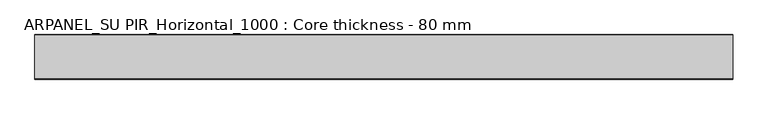
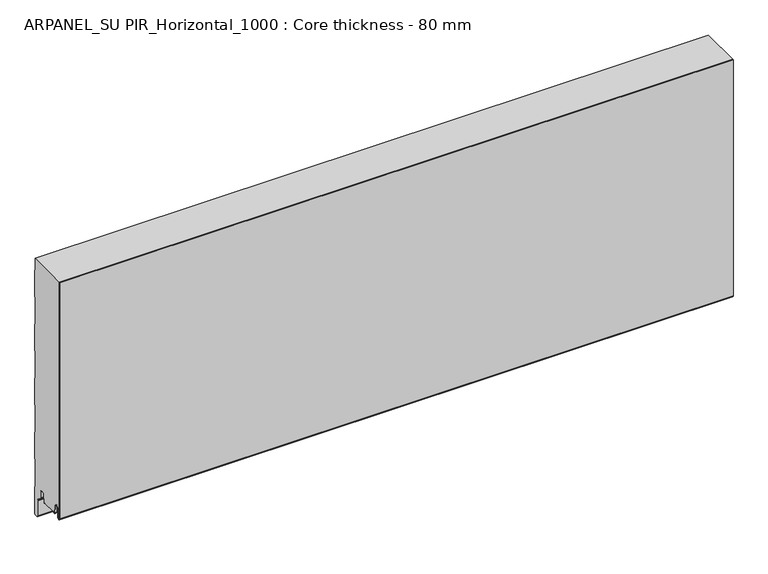
"""IFC4 building model written with IfcOpenShell, lengths in millimetres: plate geometry, ARPANEL_SU PIR_Horizontal_1000 : Core thickness - 80 mm."""

from ifc_helpers import new_model, si_unit, frame, origin, place, context, project, spatial, polyline, circle_curve, source, transform, mapped, element, save
from ifc_brep_helpers import plane_surface, cylinder_surface, revolved_surface, advanced_brep


def arpanel_su_pir_horizontal_1000_core_thickness_80_mm_325d15cb(model_context):
    return source(origin(), model_context, "Body", "AdvancedBrep", [
        advanced_brep(
        [(620.0, -79.9996949, 40.1048196), (620.0, -73.81449, 39.8022656), (620.0, -72.197116, 56.2975213), (620.0, -69.1776715, 59.0045826), (620.0, -66.1582271, 56.2975213), (620.0, -64.7725998, 42.165801), (620.0, -60.3830995, 42.3804834), (620.0, -61.1830995, 42.3804834), (620.0, -63.9764178, 42.2438674), (620.0, -65.3620451, 56.3755876), (620.0, -69.1776715, 59.8046226), (620.0, -72.9932979, 56.3755876), (620.0, -74.6106719, 39.8803319), (620.0, -79.1996949, 40.1047726), (620.0, -79.2, 500.0), (620.0, -79.9996949, 500.0), (-620.0, -79.1996949, 40.1047726), (-620.0, -74.6106719, 39.8803319), (-620.0, -72.9932979, 56.3755876), (-620.0, -69.1776715, 59.8046226), (-620.0, -65.3620451, 56.3755876), (-620.0, -63.9764178, 42.2438674), (-620.0, -61.1830995, 42.3804834), (-620.0, -60.3830995, 42.3804834), (-620.0, -64.7725998, 42.165801), (-620.0, -66.1582271, 56.2975213), (-620.0, -69.1776715, 59.0045826), (-620.0, -72.197116, 56.2975213), (-620.0, -73.81449, 39.8022656), (-620.0, -79.9996949, 40.1048196), (-620.0, -79.9996949, 500.0), (-620.0, -79.2, 500.0)],
        [
            (0, 1, circle_curve(frame((620.0, -76.8996949, 40.1047726), z_axis=(1.0, 0.0, 0.0), x_axis=(0.0, 0.0, -1.0)), 3.1)),
            (1, 2),
            (2, 3, circle_curve(frame((620.0, -69.2114338, 56.0047726), z_axis=(-1.0, 0.0, 0.0), x_axis=(0.0, 0.0, -1.0)), 3.0)),
            (3, 4, circle_curve(frame((620.0, -69.1439093, 56.0047726), z_axis=(-1.0, 0.0, 0.0), x_axis=(0.0, 0.0, -1.0)), 3.0)),
            (4, 5),
            (5, 6, circle_curve(frame((620.0, -62.5830995, 42.3804834), z_axis=(1.0, 0.0, 0.0), x_axis=(0.0, 0.0, -1.0)), 2.2)),
            (6, 7),
            (7, 8, circle_curve(frame((620.0, -62.5830995, 42.3804834), z_axis=(-1.0, 0.0, 0.0), x_axis=(0.0, 0.0, -1.0)), 1.4)),
            (8, 9),
            (9, 10, circle_curve(frame((620.0, -69.1439093, 56.0047726), z_axis=(1.0, 0.0, 0.0), x_axis=(0.0, 0.0, -1.0)), 3.8)),
            (10, 11, circle_curve(frame((620.0, -69.2114338, 56.0047726), z_axis=(1.0, 0.0, 0.0), x_axis=(0.0, 0.0, -1.0)), 3.8)),
            (11, 12),
            (12, 13, circle_curve(frame((620.0, -76.8996949, 40.1047726), z_axis=(-1.0, 0.0, 0.0), x_axis=(0.0, 0.0, -1.0)), 2.3)),
            (13, 14),
            (14, 15),
            (15, 0),
            (16, 17, circle_curve(frame((-620.0, -76.8996949, 40.1047726), z_axis=(1.0, 0.0, 0.0), x_axis=(0.0, 0.0, -1.0)), 2.3)),
            (17, 18),
            (18, 19, circle_curve(frame((-620.0, -69.2114338, 56.0047726), z_axis=(-1.0, 0.0, 0.0), x_axis=(0.0, 0.0, -1.0)), 3.8)),
            (19, 20, circle_curve(frame((-620.0, -69.1439093, 56.0047726), z_axis=(-1.0, 0.0, 0.0), x_axis=(0.0, 0.0, -1.0)), 3.8)),
            (20, 21),
            (21, 22, circle_curve(frame((-620.0, -62.5830995, 42.3804834), z_axis=(1.0, 0.0, 0.0), x_axis=(0.0, 0.0, -1.0)), 1.4)),
            (22, 23),
            (23, 24, circle_curve(frame((-620.0, -62.5830995, 42.3804834), z_axis=(-1.0, 0.0, 0.0), x_axis=(0.0, 0.0, -1.0)), 2.2)),
            (24, 25),
            (25, 26, circle_curve(frame((-620.0, -69.1439093, 56.0047726), z_axis=(1.0, 0.0, 0.0), x_axis=(0.0, 0.0, -1.0)), 3.0)),
            (26, 27, circle_curve(frame((-620.0, -69.2114338, 56.0047726), z_axis=(1.0, 0.0, 0.0), x_axis=(0.0, 0.0, -1.0)), 3.0)),
            (27, 28),
            (28, 29, circle_curve(frame((-620.0, -76.8996949, 40.1047726), z_axis=(-1.0, 0.0, 0.0), x_axis=(0.0, 0.0, -1.0)), 3.1)),
            (29, 30),
            (30, 31),
            (31, 16),
            (13, 16),
            (31, 14),
            (29, 0),
            (15, 30),
            (12, 17),
            (11, 18),
            (10, 19),
            (9, 20),
            (8, 21),
            (7, 22),
            (6, 23),
            (5, 24),
            (4, 25),
            (3, 26),
            (2, 27),
            (1, 28),
        ],
        [
            plane_surface(frame((620.0, -80.0, 0.0), z_axis=(1.0, 0.0, 0.0), x_axis=(0.0, 1.0, 0.0))),
            plane_surface(frame((-620.0, -80.0, 0.0), z_axis=(-1.0, 0.0, 0.0), x_axis=(0.0, 1.0, 0.0))),
            plane_surface(frame((620.0, -79.2, 40.1047726), z_axis=(0.0, 1.0, 0.0), x_axis=(-1.0, 0.0, 0.0))),
            plane_surface(frame((620.0, -79.9996949, 1030.8000005), z_axis=(0.0, -1.0, 0.0), x_axis=(-1.0, 0.0, 0.0))),
            revolved_surface(polyline([(-620.0, -76.8996949, 37.8047726), (620.0, -76.8996949, 37.8047726)]), (620.0, -76.8996949, 40.1047726), (-1.0, 0.0, 0.0)),
            plane_surface(frame((620.0, -72.9932979, 56.3755876), z_axis=(0.0, -0.9952273999818314, 0.09758289975914787), x_axis=(-1.0, 0.0, 0.0))),
            cylinder_surface(frame((620.0, -69.2114338, 56.0047726), z_axis=(1.0, 0.0, 0.0), x_axis=(0.0, 0.0, -1.0)), 3.8),
            cylinder_surface(frame((620.0, -69.1439093, 56.0047726), z_axis=(1.0, 0.0, 0.0), x_axis=(0.0, 0.0, -1.0)), 3.8),
            plane_surface(frame((620.0, -63.9764178, 42.2438674), z_axis=(0.0, 0.9952273999818297, 0.09758289975916531), x_axis=(-1.0, 0.0, 0.0))),
            revolved_surface(polyline([(-620.0, -62.5830995, 40.980483400000004), (620.0, -62.5830995, 40.980483400000004)]), (620.0, -62.5830995, 42.3804834), (-1.0, 0.0, 0.0)),
            plane_surface(frame((620.0, -60.3830995, 42.3804834), z_axis=(0.0, 0.0, 1.0), x_axis=(-1.0, 0.0, 0.0))),
            cylinder_surface(frame((620.0, -62.5830995, 42.3804834), z_axis=(1.0, 0.0, 0.0), x_axis=(0.0, 0.0, -1.0)), 2.2),
            plane_surface(frame((620.0, -66.1582271, 56.2975213), z_axis=(0.0, -0.9952273999818296, -0.09758289975916527), x_axis=(-1.0, 0.0, 0.0))),
            revolved_surface(polyline([(-620.0, -69.1439093, 53.0047726), (620.0, -69.1439093, 53.0047726)]), (620.0, -69.1439093, 56.0047726), (-1.0, 0.0, 0.0)),
            revolved_surface(polyline([(-620.0, -69.2114338, 53.0047726), (620.0, -69.2114338, 53.0047726)]), (620.0, -69.2114338, 56.0047726), (-1.0, 0.0, 0.0)),
            plane_surface(frame((620.0, -73.81449, 39.8022656), z_axis=(0.0, 0.9952273999818314, -0.09758289975914787), x_axis=(-1.0, 0.0, 0.0))),
            cylinder_surface(frame((620.0, -76.8996949, 40.1047726), z_axis=(1.0, 0.0, 0.0), x_axis=(0.0, 0.0, -1.0)), 3.1),
            plane_surface(frame((-620.0, 134.0533409, 500.0), z_axis=(0.0, 0.0, 1.0), x_axis=(1.0, 0.0, 0.0))),
        ],
        [
            (0, [[1, 2, 3, 4, 5, 6, 7, 8, 9, 10, 11, 12, 13, 14, 15, 16]]),
            (1, [[17, 18, 19, 20, 21, 22, 23, 24, 25, 26, 27, 28, 29, 30, 31, 32]]),
            (2, [[33, -32, 34, -14]]),
            (3, [[35, -16, 36, -30]]),
            (4, [[-13, 37, -17, -33]]),
            (5, [[-12, 38, -18, -37]]),
            (6, [[-11, 39, -19, -38]]),
            (7, [[-10, 40, -20, -39]]),
            (8, [[-9, 41, -21, -40]]),
            (9, [[-8, 42, -22, -41]]),
            (10, [[-7, 43, -23, -42]]),
            (11, [[-6, 44, -24, -43]]),
            (12, [[-5, 45, -25, -44]]),
            (13, [[-4, 46, -26, -45]]),
            (14, [[-3, 47, -27, -46]]),
            (15, [[-2, 48, -28, -47]]),
            (16, [[-1, -35, -29, -48]]),
            (17, [[-15, -34, -31, -36]]),
        ],
    ),
        advanced_brep(
        [(620.0, -34.0468325, 41.6703125), (620.0, -34.1991613, 42.1885183), (620.0, -34.6332818, 44.6505377), (620.0, -33.8454356, 44.7894563), (620.0, -33.4113151, 42.3274369), (620.0, -30.1822811, 42.4684196), (620.0, -28.9698453, 56.3266239), (620.0, -25.1843055, 59.7954321), (620.0, -23.0, 59.7954321), (620.0, -19.2, 55.9954321), (620.0, -19.2, 43.8723898), (620.0, -17.5667978, 40.7350375), (620.0, -11.2468331, 36.3097506), (620.0, -9.2, 32.3778208), (620.0, -9.2, 2.6273641), (620.0, -7.37, 0.7973641), (620.0, -2.63, 0.7973641), (620.0, -0.8, 2.6273641), (620.0, -0.8, 54.1944521), (620.0, -1.0986697, 55.2458679), (620.0, -1.5003051, 56.6662489), (620.0, -1.5003051, 106.8260321), (620.0, -1.0971009, 108.2454435), (620.0, -0.8, 109.2978289), (620.0, -0.8, 159.4576121), (620.0, -1.0986697, 160.5090279), (620.0, -1.5003051, 161.9294089), (620.0, -1.5003051, 212.0891921), (620.0, -1.0971009, 213.5086035), (620.0, -0.8, 214.5609889), (620.0, -0.8, 264.7207721), (620.0, -1.0986697, 265.7721879), (620.0, -1.5003051, 267.1925689), (620.0, -1.5003051, 317.3523521), (620.0, -1.0971009, 318.7717635), (620.0, -0.8, 319.8241489), (620.0, -0.8, 369.9839321), (620.0, -1.0986697, 371.0353479), (620.0, -1.5003051, 372.4557289), (620.0, -1.5003051, 422.6155121), (620.0, -1.0971009, 424.0349235), (620.0, -0.8, 425.0873089), (620.0, -0.8, 475.2470921), (620.0, -1.0986697, 476.2985079), (620.0, -1.5003051, 477.7188889), (620.0, -1.5003051, 500.0), (620.0, -79.2, 500.0), (620.0, -79.2, 40.1047726), (620.0, -74.6106719, 39.8803319), (620.0, -72.9932979, 56.3755876), (620.0, -69.1776715, 59.8046226), (620.0, -65.3620451, 56.3755876), (620.0, -63.9764178, 42.2438674), (620.0, -61.1830995, 42.3804834), (620.0, -60.3830995, 42.3804834), (620.0, -60.5008754, 41.6703125), (-620.0, -34.1991613, 42.1885183), (-620.0, -34.0468325, 41.6703125), (-620.0, -60.5008754, 41.6703125), (-620.0, -60.3830995, 42.3804834), (-620.0, -61.1830995, 42.3804834), (-620.0, -63.9764178, 42.2438674), (-620.0, -65.3620451, 56.3755876), (-620.0, -69.1776715, 59.8046226), (-620.0, -72.9932979, 56.3755876), (-620.0, -74.6106719, 39.8803319), (-620.0, -79.1996949, 40.1047726), (-620.0, -79.2, 500.0), (-620.0, -1.5003051, 500.0), (-620.0, -1.5003051, 477.7188889), (-620.0, -1.0971009, 476.2994775), (-620.0, -0.8, 475.2470921), (-620.0, -0.8, 425.0873089), (-620.0, -1.0986697, 424.035893), (-620.0, -1.5003051, 422.6155121), (-620.0, -1.5003051, 372.4557289), (-620.0, -1.0971009, 371.0363175), (-620.0, -0.8, 369.9839321), (-620.0, -0.8, 319.8241489), (-620.0, -1.0986697, 318.772733), (-620.0, -1.5003051, 317.3523521), (-620.0, -1.5003051, 267.1925689), (-620.0, -1.0971009, 265.7731575), (-620.0, -0.8, 264.7207721), (-620.0, -0.8, 214.5609889), (-620.0, -1.0986697, 213.509573), (-620.0, -1.5003051, 212.0891921), (-620.0, -1.5003051, 161.9294089), (-620.0, -1.0971009, 160.5099975), (-620.0, -0.8, 159.4576121), (-620.0, -0.8, 109.2978289), (-620.0, -1.0986697, 108.246413), (-620.0, -1.5003051, 106.8260321), (-620.0, -1.5003051, 56.6662489), (-620.0, -1.0971009, 55.2468375), (-620.0, -0.8, 54.1944521), (-620.0, -0.8, 2.6273641), (-620.0, -2.63, 0.7973641), (-620.0, -7.37, 0.7973641), (-620.0, -9.2, 2.6273641), (-620.0, -9.2, 32.3778208), (-620.0, -11.2468331, 36.3097506), (-620.0, -17.5667978, 40.7350375), (-620.0, -19.2, 43.8723898), (-620.0, -19.2, 55.9954321), (-620.0, -23.0, 59.7954321), (-620.0, -25.1843055, 59.7954321), (-620.0, -28.9698453, 56.3266239), (-620.0, -30.1822811, 42.4684196), (-620.0, -33.4113151, 42.3274369), (-620.0, -33.8454356, 44.7894563), (-620.0, -34.6332818, 44.6505377)],
        [
            (0, 1, circle_curve(frame((620.0, -31.8060785, 42.6104834), z_axis=(-1.0, 0.0, 0.0), x_axis=(0.0, 0.0, -1.0)), 2.43)),
            (1, 2),
            (2, 3),
            (3, 4),
            (4, 5, circle_curve(frame((620.0, -31.8060785, 42.6104834), z_axis=(1.0, 0.0, 0.0), x_axis=(0.0, 0.0, -1.0)), 1.63)),
            (5, 6),
            (6, 7, circle_curve(frame((620.0, -25.1843055, 55.9954321), z_axis=(-1.0, 0.0, 0.0), x_axis=(0.0, 0.0, -1.0)), 3.8)),
            (7, 8),
            (8, 9, circle_curve(frame((620.0, -23.0, 55.9954321), z_axis=(-1.0, 0.0, 0.0), x_axis=(0.0, 0.0, -1.0)), 3.8)),
            (9, 10),
            (10, 11, circle_curve(frame((620.0, -15.37, 43.8723898), z_axis=(1.0, 0.0, 0.0), x_axis=(0.0, 0.0, -1.0)), 3.83)),
            (11, 12),
            (12, 13, circle_curve(frame((620.0, -14.0, 32.3778208), z_axis=(-1.0, 0.0, 0.0), x_axis=(0.0, 0.0, -1.0)), 4.8)),
            (13, 14),
            (14, 15, circle_curve(frame((620.0, -7.37, 2.6273641), z_axis=(1.0, 0.0, 0.0), x_axis=(0.0, 0.0, -1.0)), 1.83)),
            (15, 16),
            (16, 17, circle_curve(frame((620.0, -2.63, 2.6273641), z_axis=(1.0, 0.0, 0.0), x_axis=(0.0, 0.0, -1.0)), 1.83)),
            (17, 18),
            (18, 19, circle_curve(frame((620.0, -2.8, 54.1944521), z_axis=(1.0, 0.0, 0.0), x_axis=(0.0, 0.0, -1.0)), 2.0)),
            (19, 20, circle_curve(frame((620.0, 1.1996949, 56.6662489), z_axis=(-1.0, 0.0, 0.0), x_axis=(0.0, 0.0, -1.0)), 2.7)),
            (20, 21),
            (21, 22, circle_curve(frame((620.0, 1.1996949, 106.8260321), z_axis=(-1.0, 0.0, 0.0), x_axis=(0.0, 0.0, -1.0)), 2.7)),
            (22, 23, circle_curve(frame((620.0, -2.8, 109.2978289), z_axis=(1.0, 0.0, 0.0), x_axis=(0.0, 0.0, -1.0)), 2.0)),
            (23, 24),
            (24, 25, circle_curve(frame((620.0, -2.8, 159.4576121), z_axis=(1.0, 0.0, 0.0), x_axis=(0.0, 0.0, -1.0)), 2.0)),
            (25, 26, circle_curve(frame((620.0, 1.1996949, 161.9294089), z_axis=(-1.0, 0.0, 0.0), x_axis=(0.0, 0.0, -1.0)), 2.7)),
            (26, 27),
            (27, 28, circle_curve(frame((620.0, 1.1996949, 212.0891921), z_axis=(-1.0, 0.0, 0.0), x_axis=(0.0, 0.0, -1.0)), 2.7)),
            (28, 29, circle_curve(frame((620.0, -2.8, 214.5609889), z_axis=(1.0, 0.0, 0.0), x_axis=(0.0, 0.0, -1.0)), 2.0)),
            (29, 30),
            (30, 31, circle_curve(frame((620.0, -2.8, 264.7207721), z_axis=(1.0, 0.0, 0.0), x_axis=(0.0, 0.0, -1.0)), 2.0)),
            (31, 32, circle_curve(frame((620.0, 1.1996949, 267.1925689), z_axis=(-1.0, 0.0, 0.0), x_axis=(0.0, 0.0, -1.0)), 2.7)),
            (32, 33),
            (33, 34, circle_curve(frame((620.0, 1.1996949, 317.3523521), z_axis=(-1.0, 0.0, 0.0), x_axis=(0.0, 0.0, -1.0)), 2.7)),
            (34, 35, circle_curve(frame((620.0, -2.8, 319.8241489), z_axis=(1.0, 0.0, 0.0), x_axis=(0.0, 0.0, -1.0)), 2.0)),
            (35, 36),
            (36, 37, circle_curve(frame((620.0, -2.8, 369.9839321), z_axis=(1.0, 0.0, 0.0), x_axis=(0.0, 0.0, -1.0)), 2.0)),
            (37, 38, circle_curve(frame((620.0, 1.1996949, 372.4557289), z_axis=(-1.0, 0.0, 0.0), x_axis=(0.0, 0.0, -1.0)), 2.7)),
            (38, 39),
            (39, 40, circle_curve(frame((620.0, 1.1996949, 422.6155121), z_axis=(-1.0, 0.0, 0.0), x_axis=(0.0, 0.0, -1.0)), 2.7)),
            (40, 41, circle_curve(frame((620.0, -2.8, 425.0873089), z_axis=(1.0, 0.0, 0.0), x_axis=(0.0, 0.0, -1.0)), 2.0)),
            (41, 42),
            (42, 43, circle_curve(frame((620.0, -2.8, 475.2470921), z_axis=(1.0, 0.0, 0.0), x_axis=(0.0, 0.0, -1.0)), 2.0)),
            (43, 44, circle_curve(frame((620.0, 1.1996949, 477.7188889), z_axis=(-1.0, 0.0, 0.0), x_axis=(0.0, 0.0, -1.0)), 2.7)),
            (44, 45),
            (45, 46),
            (46, 47),
            (47, 48, circle_curve(frame((620.0, -76.8996949, 40.1047726), z_axis=(1.0, 0.0, 0.0), x_axis=(0.0, 0.0, -1.0)), 2.3)),
            (48, 49),
            (49, 50, circle_curve(frame((620.0, -69.2114338, 56.0047726), z_axis=(-1.0, 0.0, 0.0), x_axis=(0.0, 0.0, -1.0)), 3.8)),
            (50, 51, circle_curve(frame((620.0, -69.1439093, 56.0047726), z_axis=(-1.0, 0.0, 0.0), x_axis=(0.0, 0.0, -1.0)), 3.8)),
            (51, 52),
            (52, 53, circle_curve(frame((620.0, -62.5830995, 42.3804834), z_axis=(1.0, 0.0, 0.0), x_axis=(0.0, 0.0, -1.0)), 1.4)),
            (53, 54),
            (54, 55, circle_curve(frame((620.0, -62.5830995, 42.3804834), z_axis=(-1.0, 0.0, 0.0), x_axis=(0.0, 0.0, -1.0)), 2.2)),
            (55, 0),
            (56, 57, circle_curve(frame((-620.0, -31.8060785, 42.6104834), z_axis=(1.0, 0.0, 0.0), x_axis=(0.0, 0.0, -1.0)), 2.43)),
            (57, 58),
            (58, 59, circle_curve(frame((-620.0, -62.5830995, 42.3804834), z_axis=(1.0, 0.0, 0.0), x_axis=(0.0, 0.0, -1.0)), 2.2)),
            (59, 60),
            (60, 61, circle_curve(frame((-620.0, -62.5830995, 42.3804834), z_axis=(-1.0, 0.0, 0.0), x_axis=(0.0, 0.0, -1.0)), 1.4)),
            (61, 62),
            (62, 63, circle_curve(frame((-620.0, -69.1439093, 56.0047726), z_axis=(1.0, 0.0, 0.0), x_axis=(0.0, 0.0, -1.0)), 3.8)),
            (63, 64, circle_curve(frame((-620.0, -69.2114338, 56.0047726), z_axis=(1.0, 0.0, 0.0), x_axis=(0.0, 0.0, -1.0)), 3.8)),
            (64, 65),
            (65, 66, circle_curve(frame((-620.0, -76.8996949, 40.1047726), z_axis=(-1.0, 0.0, 0.0), x_axis=(0.0, 0.0, -1.0)), 2.3)),
            (66, 67),
            (67, 68),
            (68, 69),
            (69, 70, circle_curve(frame((-620.0, 1.1996949, 477.7188889), z_axis=(1.0, 0.0, 0.0), x_axis=(0.0, 0.0, -1.0)), 2.7)),
            (70, 71, circle_curve(frame((-620.0, -2.8, 475.2470921), z_axis=(-1.0, 0.0, 0.0), x_axis=(0.0, 0.0, -1.0)), 2.0)),
            (71, 72),
            (72, 73, circle_curve(frame((-620.0, -2.8, 425.0873089), z_axis=(-1.0, 0.0, 0.0), x_axis=(0.0, 0.0, -1.0)), 2.0)),
            (73, 74, circle_curve(frame((-620.0, 1.1996949, 422.6155121), z_axis=(1.0, 0.0, 0.0), x_axis=(0.0, 0.0, -1.0)), 2.7)),
            (74, 75),
            (75, 76, circle_curve(frame((-620.0, 1.1996949, 372.4557289), z_axis=(1.0, 0.0, 0.0), x_axis=(0.0, 0.0, -1.0)), 2.7)),
            (76, 77, circle_curve(frame((-620.0, -2.8, 369.9839321), z_axis=(-1.0, 0.0, 0.0), x_axis=(0.0, 0.0, -1.0)), 2.0)),
            (77, 78),
            (78, 79, circle_curve(frame((-620.0, -2.8, 319.8241489), z_axis=(-1.0, 0.0, 0.0), x_axis=(0.0, 0.0, -1.0)), 2.0)),
            (79, 80, circle_curve(frame((-620.0, 1.1996949, 317.3523521), z_axis=(1.0, 0.0, 0.0), x_axis=(0.0, 0.0, -1.0)), 2.7)),
            (80, 81),
            (81, 82, circle_curve(frame((-620.0, 1.1996949, 267.1925689), z_axis=(1.0, 0.0, 0.0), x_axis=(0.0, 0.0, -1.0)), 2.7)),
            (82, 83, circle_curve(frame((-620.0, -2.8, 264.7207721), z_axis=(-1.0, 0.0, 0.0), x_axis=(0.0, 0.0, -1.0)), 2.0)),
            (83, 84),
            (84, 85, circle_curve(frame((-620.0, -2.8, 214.5609889), z_axis=(-1.0, 0.0, 0.0), x_axis=(0.0, 0.0, -1.0)), 2.0)),
            (85, 86, circle_curve(frame((-620.0, 1.1996949, 212.0891921), z_axis=(1.0, 0.0, 0.0), x_axis=(0.0, 0.0, -1.0)), 2.7)),
            (86, 87),
            (87, 88, circle_curve(frame((-620.0, 1.1996949, 161.9294089), z_axis=(1.0, 0.0, 0.0), x_axis=(0.0, 0.0, -1.0)), 2.7)),
            (88, 89, circle_curve(frame((-620.0, -2.8, 159.4576121), z_axis=(-1.0, 0.0, 0.0), x_axis=(0.0, 0.0, -1.0)), 2.0)),
            (89, 90),
            (90, 91, circle_curve(frame((-620.0, -2.8, 109.2978289), z_axis=(-1.0, 0.0, 0.0), x_axis=(0.0, 0.0, -1.0)), 2.0)),
            (91, 92, circle_curve(frame((-620.0, 1.1996949, 106.8260321), z_axis=(1.0, 0.0, 0.0), x_axis=(0.0, 0.0, -1.0)), 2.7)),
            (92, 93),
            (93, 94, circle_curve(frame((-620.0, 1.1996949, 56.6662489), z_axis=(1.0, 0.0, 0.0), x_axis=(0.0, 0.0, -1.0)), 2.7)),
            (94, 95, circle_curve(frame((-620.0, -2.8, 54.1944521), z_axis=(-1.0, 0.0, 0.0), x_axis=(0.0, 0.0, -1.0)), 2.0)),
            (95, 96),
            (96, 97, circle_curve(frame((-620.0, -2.63, 2.6273641), z_axis=(-1.0, 0.0, 0.0), x_axis=(0.0, 0.0, -1.0)), 1.83)),
            (97, 98),
            (98, 99, circle_curve(frame((-620.0, -7.37, 2.6273641), z_axis=(-1.0, 0.0, 0.0), x_axis=(0.0, 0.0, -1.0)), 1.83)),
            (99, 100),
            (100, 101, circle_curve(frame((-620.0, -14.0, 32.3778208), z_axis=(1.0, 0.0, 0.0), x_axis=(0.0, 0.0, -1.0)), 4.8)),
            (101, 102),
            (102, 103, circle_curve(frame((-620.0, -15.37, 43.8723898), z_axis=(-1.0, 0.0, 0.0), x_axis=(0.0, 0.0, -1.0)), 3.83)),
            (103, 104),
            (104, 105, circle_curve(frame((-620.0, -23.0, 55.9954321), z_axis=(1.0, 0.0, 0.0), x_axis=(0.0, 0.0, -1.0)), 3.8)),
            (105, 106),
            (106, 107, circle_curve(frame((-620.0, -25.1843055, 55.9954321), z_axis=(1.0, 0.0, 0.0), x_axis=(0.0, 0.0, -1.0)), 3.8)),
            (107, 108),
            (108, 109, circle_curve(frame((-620.0, -31.8060785, 42.6104834), z_axis=(-1.0, 0.0, 0.0), x_axis=(0.0, 0.0, -1.0)), 1.63)),
            (109, 110),
            (110, 111),
            (111, 56),
            (57, 0),
            (55, 58),
            (66, 47),
            (46, 67),
            (65, 48),
            (64, 49),
            (63, 50),
            (62, 51),
            (61, 52),
            (60, 53),
            (59, 54),
            (56, 1),
            (111, 2),
            (110, 3),
            (109, 4),
            (108, 5),
            (107, 6),
            (106, 7),
            (105, 8),
            (104, 9),
            (103, 10),
            (102, 11),
            (101, 12),
            (100, 13),
            (99, 14),
            (98, 15),
            (97, 16),
            (96, 17),
            (95, 18),
            (94, 19),
            (93, 20),
            (92, 21),
            (91, 22),
            (90, 23),
            (89, 24),
            (88, 25),
            (87, 26),
            (86, 27),
            (85, 28),
            (84, 29),
            (83, 30),
            (82, 31),
            (81, 32),
            (80, 33),
            (79, 34),
            (78, 35),
            (77, 36),
            (76, 37),
            (75, 38),
            (74, 39),
            (73, 40),
            (72, 41),
            (71, 42),
            (70, 43),
            (69, 44),
            (68, 45),
        ],
        [
            plane_surface(frame((620.0, 0.0, 0.0), z_axis=(1.0, 0.0, 0.0), x_axis=(0.0, -1.0, 0.0))),
            plane_surface(frame((-620.0, 0.0, 0.0), z_axis=(-1.0, 0.0, 0.0), x_axis=(0.0, -1.0, 0.0))),
            plane_surface(frame((620.0, -61.0, 41.6703125), z_axis=(0.0, 0.0, -1.0), x_axis=(-1.0, 0.0, 0.0))),
            plane_surface(frame((750.0, -79.2, 40.1047726), z_axis=(0.0, -1.0, 0.0), x_axis=(-1.0, 0.0, 0.0))),
            cylinder_surface(frame((750.0, -76.8996949, 40.1047726), z_axis=(-1.0, 0.0, 0.0), x_axis=(0.0, 0.0, -1.0)), 2.3),
            plane_surface(frame((750.0, -72.9932979, 56.3755876), z_axis=(0.0, 0.9952273999818314, -0.09758289975914787), x_axis=(-1.0, 0.0, 0.0))),
            revolved_surface(polyline([(620.0, -69.2114338, 52.204772600000005), (-620.0, -69.2114338, 52.204772600000005)]), (750.0, -69.2114338, 56.0047726), (1.0, 0.0, 0.0)),
            revolved_surface(polyline([(620.0, -69.1439093, 52.204772600000005), (-620.0, -69.1439093, 52.204772600000005)]), (750.0, -69.1439093, 56.0047726), (1.0, 0.0, 0.0)),
            plane_surface(frame((750.0, -63.9764178, 42.2438674), z_axis=(0.0, -0.9952273999818297, -0.09758289975916531), x_axis=(-1.0, 0.0, 0.0))),
            cylinder_surface(frame((750.0, -62.5830995, 42.3804834), z_axis=(-1.0, 0.0, 0.0), x_axis=(0.0, 0.0, -1.0)), 1.4),
            plane_surface(frame((750.0, -60.3830995, 42.3804834), z_axis=(0.0, 0.0, -1.0), x_axis=(-1.0, 0.0, 0.0))),
            revolved_surface(polyline([(620.0, -62.5830995, 40.1804834), (-620.0, -62.5830995, 40.1804834)]), (750.0, -62.5830995, 42.3804834), (1.0, 0.0, 0.0)),
            revolved_surface(polyline([(620.0, -31.8060785, 40.1804834), (-620.0, -31.8060785, 40.1804834)]), (750.0, -31.8060785, 42.6104834), (1.0, 0.0, 0.0)),
            plane_surface(frame((750.0, -34.6332818, 44.6505377), z_axis=(0.0, 0.9848077530122206, 0.1736481776668594), x_axis=(-1.0, 0.0, 0.0))),
            plane_surface(frame((750.0, -33.8454356, 44.7894563), z_axis=(0.0, 0.17364817766684099, -0.9848077530122239), x_axis=(-1.0, 0.0, 0.0))),
            plane_surface(frame((750.0, -33.4113151, 42.3274369), z_axis=(0.0, -0.9848077530122203, -0.17364817766686078), x_axis=(-1.0, 0.0, 0.0))),
            cylinder_surface(frame((750.0, -31.8060785, 42.6104834), z_axis=(-1.0, 0.0, 0.0), x_axis=(0.0, 0.0, -1.0)), 1.63),
            plane_surface(frame((750.0, -28.9698453, 56.3266239), z_axis=(0.0, 0.996194698091768, -0.08715574274740188), x_axis=(-1.0, 0.0, 0.0))),
            revolved_surface(polyline([(620.0, -25.1843055, 52.195432100000005), (-620.0, -25.1843055, 52.195432100000005)]), (750.0, -25.1843055, 55.9954321), (1.0, 0.0, 0.0)),
            plane_surface(frame((750.0, -23.0, 59.7954321), z_axis=(0.0, 0.0, -1.0), x_axis=(-1.0, 0.0, 0.0))),
            revolved_surface(polyline([(620.0, -23.0, 52.195432100000005), (-620.0, -23.0, 52.195432100000005)]), (750.0, -23.0, 55.9954321), (1.0, 0.0, 0.0)),
            plane_surface(frame((750.0, -19.2, 43.8723898), z_axis=(0.0, -1.0, 0.0), x_axis=(-1.0, 0.0, 0.0))),
            cylinder_surface(frame((750.0, -15.37, 43.8723898), z_axis=(-1.0, 0.0, 0.0), x_axis=(0.0, 0.0, -1.0)), 3.83),
            plane_surface(frame((750.0, -11.2468331, 36.3097506), z_axis=(0.0, -0.5735764363510797, -0.8191520442889684), x_axis=(-1.0, 0.0, 0.0))),
            revolved_surface(polyline([(620.0, -14.0, 27.5778208), (-620.0, -14.0, 27.5778208)]), (750.0, -14.0, 32.3778208), (1.0, 0.0, 0.0)),
            plane_surface(frame((750.0, -9.2, 2.6273641), z_axis=(0.0, -1.0, 0.0), x_axis=(-1.0, 0.0, 0.0))),
            cylinder_surface(frame((750.0, -7.37, 2.6273641), z_axis=(-1.0, 0.0, 0.0), x_axis=(0.0, 0.0, -1.0)), 1.83),
            plane_surface(frame((750.0, -2.63, 0.7973641), z_axis=(0.0, 0.0, -1.0), x_axis=(-1.0, 0.0, 0.0))),
            cylinder_surface(frame((750.0, -2.63, 2.6273641), z_axis=(-1.0, 0.0, 0.0), x_axis=(0.0, 0.0, -1.0)), 1.83),
            plane_surface(frame((750.0, -0.8, 54.1944521), z_axis=(0.0, 1.0, 0.0), x_axis=(-1.0, 0.0, 0.0))),
            cylinder_surface(frame((750.0, -2.8, 54.1944521), z_axis=(-1.0, 0.0, 0.0), x_axis=(0.0, 0.0, -1.0)), 2.0),
            revolved_surface(polyline([(620.0, 1.1996949, 53.9662489), (-620.0, 1.1996949, 53.9662489)]), (750.0, 1.1996949, 56.6662489), (1.0, 0.0, 0.0)),
            plane_surface(frame((750.0, -1.5003051, 106.8260321), z_axis=(0.0, 1.0, 0.0), x_axis=(-1.0, 0.0, 0.0))),
            revolved_surface(polyline([(620.0, 1.1996949, 104.1260321), (-620.0, 1.1996949, 104.1260321)]), (750.0, 1.1996949, 106.8260321), (1.0, 0.0, 0.0)),
            cylinder_surface(frame((750.0, -2.8, 109.2978289), z_axis=(-1.0, 0.0, 0.0), x_axis=(0.0, 0.0, -1.0)), 2.0),
            plane_surface(frame((750.0, -0.8, 159.4576121), z_axis=(0.0, 1.0, 0.0), x_axis=(-1.0, 0.0, 0.0))),
            cylinder_surface(frame((750.0, -2.8, 159.4576121), z_axis=(-1.0, 0.0, 0.0), x_axis=(0.0, 0.0, -1.0)), 2.0),
            revolved_surface(polyline([(620.0, 1.1996949, 159.2294089), (-620.0, 1.1996949, 159.2294089)]), (750.0, 1.1996949, 161.9294089), (1.0, 0.0, 0.0)),
            plane_surface(frame((750.0, -1.5003051, 212.0891921), z_axis=(0.0, 1.0, 0.0), x_axis=(-1.0, 0.0, 0.0))),
            revolved_surface(polyline([(620.0, 1.1996949, 209.3891921), (-620.0, 1.1996949, 209.3891921)]), (750.0, 1.1996949, 212.0891921), (1.0, 0.0, 0.0)),
            cylinder_surface(frame((750.0, -2.8, 214.5609889), z_axis=(-1.0, 0.0, 0.0), x_axis=(0.0, 0.0, -1.0)), 2.0),
            plane_surface(frame((750.0, -0.8, 264.7207721), z_axis=(0.0, 1.0, 0.0), x_axis=(-1.0, 0.0, 0.0))),
            cylinder_surface(frame((750.0, -2.8, 264.7207721), z_axis=(-1.0, 0.0, 0.0), x_axis=(0.0, 0.0, -1.0)), 2.0),
            revolved_surface(polyline([(620.0, 1.1996949, 264.49256890000004), (-620.0, 1.1996949, 264.49256890000004)]), (750.0, 1.1996949, 267.1925689), (1.0, 0.0, 0.0)),
            plane_surface(frame((750.0, -1.5003051, 317.3523521), z_axis=(0.0, 1.0, 0.0), x_axis=(-1.0, 0.0, 0.0))),
            revolved_surface(polyline([(620.0, 1.1996949, 314.65235210000003), (-620.0, 1.1996949, 314.65235210000003)]), (750.0, 1.1996949, 317.3523521), (1.0, 0.0, 0.0)),
            cylinder_surface(frame((750.0, -2.8, 319.8241489), z_axis=(-1.0, 0.0, 0.0), x_axis=(0.0, 0.0, -1.0)), 2.0),
            plane_surface(frame((750.0, -0.8, 369.9839321), z_axis=(0.0, 1.0, 0.0), x_axis=(-1.0, 0.0, 0.0))),
            cylinder_surface(frame((750.0, -2.8, 369.9839321), z_axis=(-1.0, 0.0, 0.0), x_axis=(0.0, 0.0, -1.0)), 2.0),
            revolved_surface(polyline([(620.0, 1.1996949, 369.7557289), (-620.0, 1.1996949, 369.7557289)]), (750.0, 1.1996949, 372.4557289), (1.0, 0.0, 0.0)),
            plane_surface(frame((750.0, -1.5003051, 422.6155121), z_axis=(0.0, 1.0, 0.0), x_axis=(-1.0, 0.0, 0.0))),
            revolved_surface(polyline([(620.0, 1.1996949, 419.9155121), (-620.0, 1.1996949, 419.9155121)]), (750.0, 1.1996949, 422.6155121), (1.0, 0.0, 0.0)),
            cylinder_surface(frame((750.0, -2.8, 425.0873089), z_axis=(-1.0, 0.0, 0.0), x_axis=(0.0, 0.0, -1.0)), 2.0),
            plane_surface(frame((750.0, -0.8, 475.2470921), z_axis=(0.0, 1.0, 0.0), x_axis=(-1.0, 0.0, 0.0))),
            cylinder_surface(frame((750.0, -2.8, 475.2470921), z_axis=(-1.0, 0.0, 0.0), x_axis=(0.0, 0.0, -1.0)), 2.0),
            revolved_surface(polyline([(620.0, 1.1996949, 475.01888890000004), (-620.0, 1.1996949, 475.01888890000004)]), (750.0, 1.1996949, 477.7188889), (1.0, 0.0, 0.0)),
            plane_surface(frame((750.0, -1.5003051, 527.8786721), z_axis=(0.0, 1.0, 0.0), x_axis=(-1.0, 0.0, 0.0))),
            plane_surface(frame((-620.0, 134.0533409, 500.0), z_axis=(0.0, 0.0, 1.0), x_axis=(1.0, 0.0, 0.0))),
        ],
        [
            (0, [[1, 2, 3, 4, 5, 6, 7, 8, 9, 10, 11, 12, 13, 14, 15, 16, 17, 18, 19, 20, 21, 22, 23, 24, 25, 26, 27, 28, 29, 30, 31, 32, 33, 34, 35, 36, 37, 38, 39, 40, 41, 42, 43, 44, 45, 46, 47, 48, 49, 50, 51, 52, 53, 54, 55, 56]]),
            (1, [[57, 58, 59, 60, 61, 62, 63, 64, 65, 66, 67, 68, 69, 70, 71, 72, 73, 74, 75, 76, 77, 78, 79, 80, 81, 82, 83, 84, 85, 86, 87, 88, 89, 90, 91, 92, 93, 94, 95, 96, 97, 98, 99, 100, 101, 102, 103, 104, 105, 106, 107, 108, 109, 110, 111, 112]]),
            (2, [[113, -56, 114, -58]]),
            (3, [[115, -47, 116, -67]]),
            (4, [[-115, -66, 117, -48]]),
            (5, [[-117, -65, 118, -49]]),
            (6, [[-118, -64, 119, -50]]),
            (7, [[-119, -63, 120, -51]]),
            (8, [[-120, -62, 121, -52]]),
            (9, [[-121, -61, 122, -53]]),
            (10, [[-122, -60, 123, -54]]),
            (11, [[-123, -59, -114, -55]]),
            (12, [[124, -1, -113, -57]]),
            (13, [[-124, -112, 125, -2]]),
            (14, [[-125, -111, 126, -3]]),
            (15, [[-126, -110, 127, -4]]),
            (16, [[-127, -109, 128, -5]]),
            (17, [[-128, -108, 129, -6]]),
            (18, [[-129, -107, 130, -7]]),
            (19, [[-130, -106, 131, -8]]),
            (20, [[-131, -105, 132, -9]]),
            (21, [[-132, -104, 133, -10]]),
            (22, [[-133, -103, 134, -11]]),
            (23, [[-134, -102, 135, -12]]),
            (24, [[-135, -101, 136, -13]]),
            (25, [[-136, -100, 137, -14]]),
            (26, [[-137, -99, 138, -15]]),
            (27, [[-138, -98, 139, -16]]),
            (28, [[-139, -97, 140, -17]]),
            (29, [[-140, -96, 141, -18]]),
            (30, [[-141, -95, 142, -19]]),
            (31, [[-142, -94, 143, -20]]),
            (32, [[-143, -93, 144, -21]]),
            (33, [[-144, -92, 145, -22]]),
            (34, [[-145, -91, 146, -23]]),
            (35, [[-146, -90, 147, -24]]),
            (36, [[-147, -89, 148, -25]]),
            (37, [[-148, -88, 149, -26]]),
            (38, [[-149, -87, 150, -27]]),
            (39, [[-150, -86, 151, -28]]),
            (40, [[-151, -85, 152, -29]]),
            (41, [[-152, -84, 153, -30]]),
            (42, [[-153, -83, 154, -31]]),
            (43, [[-154, -82, 155, -32]]),
            (44, [[-155, -81, 156, -33]]),
            (45, [[-156, -80, 157, -34]]),
            (46, [[-157, -79, 158, -35]]),
            (47, [[-158, -78, 159, -36]]),
            (48, [[-159, -77, 160, -37]]),
            (49, [[-160, -76, 161, -38]]),
            (50, [[-161, -75, 162, -39]]),
            (51, [[-162, -74, 163, -40]]),
            (52, [[-163, -73, 164, -41]]),
            (53, [[-164, -72, 165, -42]]),
            (54, [[-165, -71, 166, -43]]),
            (55, [[-166, -70, 167, -44]]),
            (56, [[-167, -69, 168, -45]]),
            (57, [[-168, -68, -116, -46]]),
        ],
    ),
    ])


if __name__ == "__main__":
    model = new_model("IFC4")
    model_context = context("Model", 3, world=origin())
    ifc_project = project(units=[si_unit("LENGTHUNIT", "METRE", prefix="MILLI")], contexts=[model_context])
    site = spatial("IfcSite", under=ifc_project)
    building = spatial("IfcBuilding", under=site)
    placement = place(None, origin())
    arpanel_su_pir_horizontal_1000_core_thickness_80_mm_shape = arpanel_su_pir_horizontal_1000_core_thickness_80_mm_325d15cb(model_context)
    element("IfcPlate", 1, ObjectType="ARPANEL_SU PIR_Horizontal_1000 : Core thickness - 80 mm", at=placement, inside=building, context=model_context, shape_type="MappedRepresentation", body=[
        mapped(arpanel_su_pir_horizontal_1000_core_thickness_80_mm_shape, transform((0.0, 0.0, 0.0), x_axis=(1.0, 0.0, 0.0), y_axis=(0.0, 1.0, 0.0), z_axis=(0.0, 0.0, 1.0))),
    ])
    save(model, "model.ifc")
